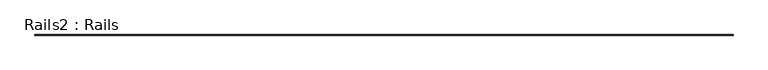
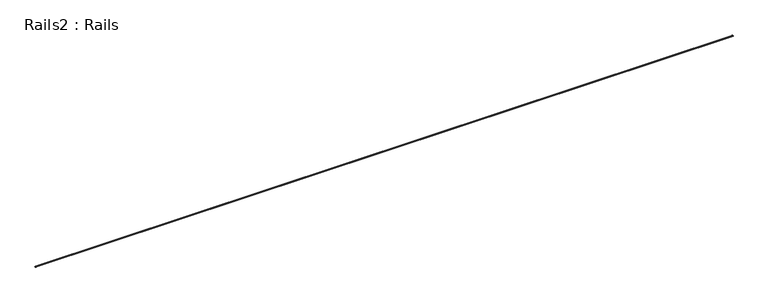
"""IFC4 building model written with IfcOpenShell, lengths in millimetres: geographic element geometry, Rails2 : Rails."""

from ifc_helpers import new_model, si_unit, frame, origin, place, context, project, spatial, polyline, outline, extrude, source, transform, mapped, element, save


def rails2_rails_7f453ab8(model_context):
    return source(origin(), model_context, "Body", "SweptSolid", [
        extrude(outline(polyline([(22040.2751014, -760.0), (21900.2751014, -760.0), (21900.2751014, -745.0), (21963.2751014, -745.0), (21963.2751014, -656.0), (21937.7751014, -656.0), (21937.7751014, -607.0), (22002.7751014, -607.0), (22002.7751014, -656.0), (21977.2751014, -656.0), (21977.2751014, -745.0), (22040.2751014, -745.0), (22040.2751014, -760.0)])), frame((-75461.4052033, 0.0, 0.0), z_axis=(1.0, 0.0, 0.0), x_axis=(0.0, 1.0, 0.0)), (0.0, 0.0, 1.0), 143753.8302848),
    ])


if __name__ == "__main__":
    model = new_model("IFC4")
    model_context = context("Model", 3, world=origin())
    ifc_project = project(units=[si_unit("LENGTHUNIT", "METRE", prefix="MILLI")], contexts=[model_context])
    site = spatial("IfcSite", under=ifc_project)
    building = spatial("IfcBuilding", under=site)
    placement = place(None, origin())
    rails2_rails_shape = rails2_rails_7f453ab8(model_context)
    element("IfcGeographicElement", 1, ObjectType="Rails2 : Rails", at=placement, inside=building, context=model_context, shape_type="MappedRepresentation", body=[
        mapped(rails2_rails_shape, transform((0.0, 0.0, 0.0), x_axis=(1.0, 0.0, 0.0), y_axis=(0.0, 1.0, 0.0), z_axis=(0.0, 0.0, 1.0))),
    ])
    save(model, "model.ifc")
